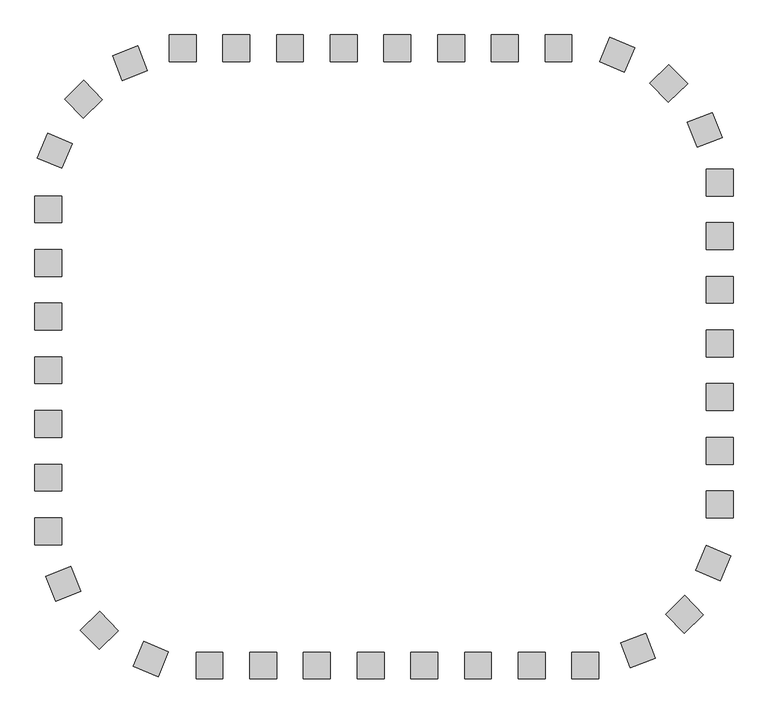
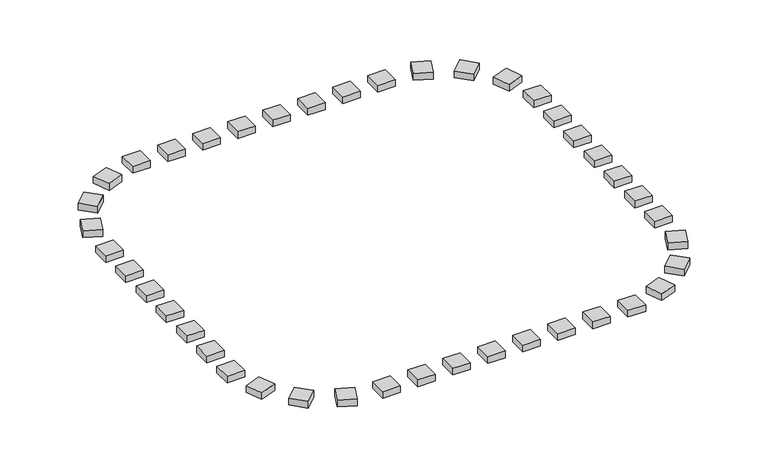
"""IFC4 building model written with IfcOpenShell, lengths in millimetres: railing geometry."""

from ifc_helpers import new_model, si_unit, origin, origin_with_axes, place, context, project, spatial, polyline, outline, extrude, source, transform, mapped, element, save


def railing_8902b753(model_context):
    return source(origin(), model_context, "Body", "SweptSolid", [
        extrude(outline(polyline([(13542.0201433, 21987.3166341), (13542.0201433, 21487.3166341), (13042.0201433, 21487.3166341), (13042.0201433, 21987.3166341), (13542.0201433, 21987.3166341)])), origin_with_axes(), (0.0, 0.0, 1.0), 200.0),
        extrude(outline(polyline([(12542.0201433, 21987.3166341), (12542.0201433, 21487.3166341), (12042.0201433, 21487.3166341), (12042.0201433, 21987.3166341), (12542.0201433, 21987.3166341)])), origin_with_axes(), (0.0, 0.0, 1.0), 200.0),
        extrude(outline(polyline([(11542.0201433, 21987.3166341), (11542.0201433, 21487.3166341), (11042.0201433, 21487.3166341), (11042.0201433, 21987.3166341), (11542.0201433, 21987.3166341)])), origin_with_axes(), (0.0, 0.0, 1.0), 200.0),
        extrude(outline(polyline([(10542.0201433, 21987.3166341), (10542.0201433, 21487.3166341), (10042.0201433, 21487.3166341), (10042.0201433, 21987.3166341), (10542.0201433, 21987.3166341)])), origin_with_axes(), (0.0, 0.0, 1.0), 200.0),
        extrude(outline(polyline([(9542.0201433, 21987.3166341), (9542.0201433, 21487.3166341), (9042.0201433, 21487.3166341), (9042.0201433, 21987.3166341), (9542.0201433, 21987.3166341)])), origin_with_axes(), (0.0, 0.0, 1.0), 200.0),
        extrude(outline(polyline([(8542.0201433, 21987.3166341), (8542.0201433, 21487.3166341), (8042.0201433, 21487.3166341), (8042.0201433, 21987.3166341), (8542.0201433, 21987.3166341)])), origin_with_axes(), (0.0, 0.0, 1.0), 200.0),
        extrude(outline(polyline([(6454.9468799, 21783.433892), (6636.1257571, 21317.4143491), (6170.1062142, 21136.2354718), (5988.9273369, 21602.2550148), (6454.9468799, 21783.433892)])), origin_with_axes(), (0.0, 0.0, 1.0), 200.0),
        extrude(outline(polyline([(5451.9000153, 21139.3849068), (5800.25337, 20780.7068614), (5441.5753245, 20432.3535067), (5093.2219698, 20791.0315522), (5451.9000153, 21139.3849068)])), origin_with_axes(), (0.0, 0.0, 1.0), 200.0),
        extrude(outline(polyline([(4778.8371613, 20155.5716611), (5239.3676583, 19960.8624899), (5044.6584872, 19500.3319929), (4584.1279902, 19695.0411641), (4778.8371613, 20155.5716611)])), origin_with_axes(), (0.0, 0.0, 1.0), 200.0),
        extrude(outline(polyline([(4542.0201433, 17987.3166341), (5042.0201433, 17987.3166341), (5042.0201433, 17487.3166341), (4542.0201433, 17487.3166341), (4542.0201433, 17987.3166341)])), origin_with_axes(), (0.0, 0.0, 1.0), 200.0),
        extrude(outline(polyline([(4542.0201433, 16987.3166341), (5042.0201433, 16987.3166341), (5042.0201433, 16487.3166341), (4542.0201433, 16487.3166341), (4542.0201433, 16987.3166341)])), origin_with_axes(), (0.0, 0.0, 1.0), 200.0),
        extrude(outline(polyline([(4542.0201433, 15987.3166341), (5042.0201433, 15987.3166341), (5042.0201433, 15487.3166341), (4542.0201433, 15487.3166341), (4542.0201433, 15987.3166341)])), origin_with_axes(), (0.0, 0.0, 1.0), 200.0),
        extrude(outline(polyline([(4542.0201433, 14987.3166341), (5042.0201433, 14987.3166341), (5042.0201433, 14487.3166341), (4542.0201433, 14487.3166341), (4542.0201433, 14987.3166341)])), origin_with_axes(), (0.0, 0.0, 1.0), 200.0),
        extrude(outline(polyline([(4542.0201433, 13987.3166341), (5042.0201433, 13987.3166341), (5042.0201433, 13487.3166341), (4542.0201433, 13487.3166341), (4542.0201433, 13987.3166341)])), origin_with_axes(), (0.0, 0.0, 1.0), 200.0),
        extrude(outline(polyline([(4745.9028854, 11900.2433707), (5211.9224284, 12081.4222479), (5393.1013056, 11615.402705), (4927.0817627, 11434.2238277), (4745.9028854, 11900.2433707)])), origin_with_axes(), (0.0, 0.0, 1.0), 200.0),
        extrude(outline(polyline([(5389.9518706, 10897.1965061), (5748.6299161, 11245.5498608), (6096.9832708, 10886.8718153), (5738.3052253, 10538.5184606), (5389.9518706, 10897.1965061)])), origin_with_axes(), (0.0, 0.0, 1.0), 200.0),
        extrude(outline(polyline([(6373.7651164, 10224.1336521), (6568.4742876, 10684.6641491), (7029.0047846, 10489.954978), (6834.2956134, 10029.424481), (6373.7651164, 10224.1336521)])), origin_with_axes(), (0.0, 0.0, 1.0), 200.0),
        extrude(outline(polyline([(8542.0201433, 9987.3166341), (8542.0201433, 10487.3166341), (9042.0201433, 10487.3166341), (9042.0201433, 9987.3166341), (8542.0201433, 9987.3166341)])), origin_with_axes(), (0.0, 0.0, 1.0), 200.0),
        extrude(outline(polyline([(9542.0201433, 9987.3166341), (9542.0201433, 10487.3166341), (10042.0201433, 10487.3166341), (10042.0201433, 9987.3166341), (9542.0201433, 9987.3166341)])), origin_with_axes(), (0.0, 0.0, 1.0), 200.0),
        extrude(outline(polyline([(10542.0201433, 9987.3166341), (10542.0201433, 10487.3166341), (11042.0201433, 10487.3166341), (11042.0201433, 9987.3166341), (10542.0201433, 9987.3166341)])), origin_with_axes(), (0.0, 0.0, 1.0), 200.0),
        extrude(outline(polyline([(11542.0201433, 9987.3166341), (11542.0201433, 10487.3166341), (12042.0201433, 10487.3166341), (12042.0201433, 9987.3166341), (11542.0201433, 9987.3166341)])), origin_with_axes(), (0.0, 0.0, 1.0), 200.0),
        extrude(outline(polyline([(12542.0201433, 9987.3166341), (12542.0201433, 10487.3166341), (13042.0201433, 10487.3166341), (13042.0201433, 9987.3166341), (12542.0201433, 9987.3166341)])), origin_with_axes(), (0.0, 0.0, 1.0), 200.0),
        extrude(outline(polyline([(13542.0201433, 9987.3166341), (13542.0201433, 10487.3166341), (14042.0201433, 10487.3166341), (14042.0201433, 9987.3166341), (13542.0201433, 9987.3166341)])), origin_with_axes(), (0.0, 0.0, 1.0), 200.0),
        extrude(outline(polyline([(15629.0934068, 10191.1993762), (15447.9145295, 10657.2189192), (15913.9340725, 10838.3977965), (16095.1129497, 10372.3782535), (15629.0934068, 10191.1993762)])), origin_with_axes(), (0.0, 0.0, 1.0), 200.0),
        extrude(outline(polyline([(16632.1402714, 10835.2483614), (16283.7869167, 11193.9264069), (16642.4649621, 11542.2797616), (16990.8183168, 11183.6017161), (16632.1402714, 10835.2483614)])), origin_with_axes(), (0.0, 0.0, 1.0), 200.0),
        extrude(outline(polyline([(17305.2031253, 11819.0616072), (16844.6726283, 12013.7707784), (17039.3817995, 12474.3012754), (17499.9122965, 12279.5921042), (17305.2031253, 11819.0616072)])), origin_with_axes(), (0.0, 0.0, 1.0), 200.0),
        extrude(outline(polyline([(17542.0201433, 13987.3166341), (17042.0201433, 13987.3166341), (17042.0201433, 14487.3166341), (17542.0201433, 14487.3166341), (17542.0201433, 13987.3166341)])), origin_with_axes(), (0.0, 0.0, 1.0), 200.0),
        extrude(outline(polyline([(17542.0201433, 14987.3166341), (17042.0201433, 14987.3166341), (17042.0201433, 15487.3166341), (17542.0201433, 15487.3166341), (17542.0201433, 14987.3166341)])), origin_with_axes(), (0.0, 0.0, 1.0), 200.0),
        extrude(outline(polyline([(17542.0201433, 15987.3166341), (17042.0201433, 15987.3166341), (17042.0201433, 16487.3166341), (17542.0201433, 16487.3166341), (17542.0201433, 15987.3166341)])), origin_with_axes(), (0.0, 0.0, 1.0), 200.0),
        extrude(outline(polyline([(17542.0201433, 16987.3166341), (17042.0201433, 16987.3166341), (17042.0201433, 17487.3166341), (17542.0201433, 17487.3166341), (17542.0201433, 16987.3166341)])), origin_with_axes(), (0.0, 0.0, 1.0), 200.0),
        extrude(outline(polyline([(17542.0201433, 17987.3166341), (17042.0201433, 17987.3166341), (17042.0201433, 18487.3166341), (17542.0201433, 18487.3166341), (17542.0201433, 17987.3166341)])), origin_with_axes(), (0.0, 0.0, 1.0), 200.0),
        extrude(outline(polyline([(17338.1374012, 20074.3898976), (16872.1178582, 19893.2110203), (16690.938981, 20359.2305633), (17156.958524, 20540.4094406), (17338.1374012, 20074.3898976)])), origin_with_axes(), (0.0, 0.0, 1.0), 200.0),
        extrude(outline(polyline([(16694.088416, 21077.4367622), (16335.4103706, 20729.0834075), (15987.0570159, 21087.761453), (16345.7350614, 21436.1148076), (16694.088416, 21077.4367622)])), origin_with_axes(), (0.0, 0.0, 1.0), 200.0),
        extrude(outline(polyline([(15710.2751703, 21750.4996161), (15515.5659991, 21289.9691191), (15055.0355021, 21484.6782903), (15249.7446733, 21945.2087873), (15710.2751703, 21750.4996161)])), origin_with_axes(), (0.0, 0.0, 1.0), 200.0),
        extrude(outline(polyline([(14542.0201433, 21987.3166341), (14542.0201433, 21487.3166341), (14042.0201433, 21487.3166341), (14042.0201433, 21987.3166341), (14542.0201433, 21987.3166341)])), origin_with_axes(), (0.0, 0.0, 1.0), 200.0),
        extrude(outline(polyline([(7542.0201433, 21987.3166341), (7542.0201433, 21487.3166341), (7042.0201433, 21487.3166341), (7042.0201433, 21987.3166341), (7542.0201433, 21987.3166341)])), origin_with_axes(), (0.0, 0.0, 1.0), 200.0),
        extrude(outline(polyline([(4542.0201433, 18987.3166341), (5042.0201433, 18987.3166341), (5042.0201433, 18487.3166341), (4542.0201433, 18487.3166341), (4542.0201433, 18987.3166341)])), origin_with_axes(), (0.0, 0.0, 1.0), 200.0),
        extrude(outline(polyline([(4542.0201433, 12987.3166341), (5042.0201433, 12987.3166341), (5042.0201433, 12487.3166341), (4542.0201433, 12487.3166341), (4542.0201433, 12987.3166341)])), origin_with_axes(), (0.0, 0.0, 1.0), 200.0),
        extrude(outline(polyline([(7542.0201433, 9987.3166341), (7542.0201433, 10487.3166341), (8042.0201433, 10487.3166341), (8042.0201433, 9987.3166341), (7542.0201433, 9987.3166341)])), origin_with_axes(), (0.0, 0.0, 1.0), 200.0),
        extrude(outline(polyline([(14542.0201433, 9987.3166341), (14542.0201433, 10487.3166341), (15042.0201433, 10487.3166341), (15042.0201433, 9987.3166341), (14542.0201433, 9987.3166341)])), origin_with_axes(), (0.0, 0.0, 1.0), 200.0),
        extrude(outline(polyline([(17542.0201433, 12987.3166341), (17042.0201433, 12987.3166341), (17042.0201433, 13487.3166341), (17542.0201433, 13487.3166341), (17542.0201433, 12987.3166341)])), origin_with_axes(), (0.0, 0.0, 1.0), 200.0),
        extrude(outline(polyline([(17542.0201433, 18987.3166341), (17042.0201433, 18987.3166341), (17042.0201433, 19487.3166341), (17542.0201433, 19487.3166341), (17542.0201433, 18987.3166341)])), origin_with_axes(), (0.0, 0.0, 1.0), 200.0),
    ])


if __name__ == "__main__":
    model = new_model("IFC4")
    model_context = context("Model", 3, world=origin())
    ifc_project = project(units=[si_unit("LENGTHUNIT", "METRE", prefix="MILLI")], contexts=[model_context])
    site = spatial("IfcSite", under=ifc_project)
    building = spatial("IfcBuilding", under=site)
    placement = place(None, origin())
    railing_shape = railing_8902b753(model_context)
    element("IfcRailing", 1, at=placement, inside=building, context=model_context, shape_type="MappedRepresentation", body=[
        mapped(railing_shape, transform((0.0, 0.0, 0.0), x_axis=(1.0, 0.0, 0.0), y_axis=(0.0, 1.0, 0.0), z_axis=(0.0, 0.0, 1.0))),
    ])
    save(model, "model.ifc")
